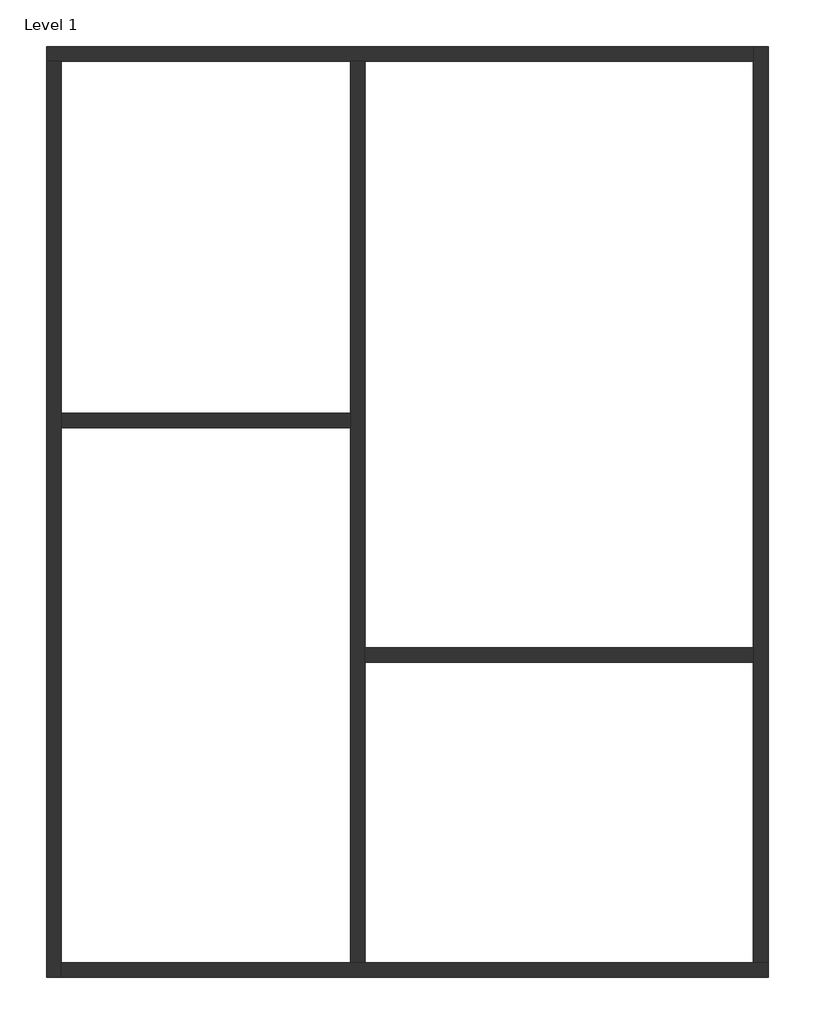
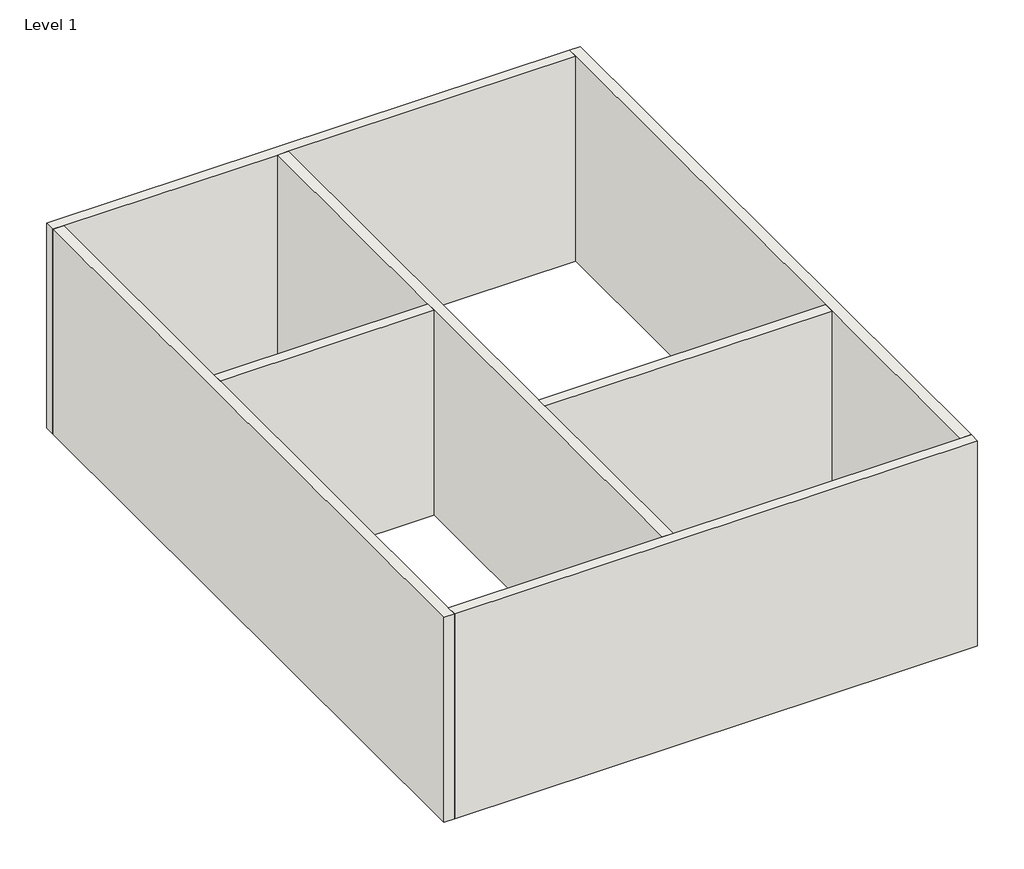
# One storey: 7 walls.
"""IFC4 building model written with IfcOpenShell, lengths in millimetres."""

from ifc_helpers import new_model, si_unit, origin, origin_with_axes, place, context, project, spatial, polyline, outline, extrude, faceted_brep, element, save

model = new_model("IFC4")

# Units and contexts
model_context = context("Model", 3, world=origin())
ifc_project = project(units=[si_unit("LENGTHUNIT", "METRE", prefix="MILLI")], contexts=[model_context])

# Site, building, storey
site = spatial("IfcSite", under=ifc_project)
building = spatial("IfcBuilding", under=site)
storey = spatial("IfcBuildingStorey", under=building, Name="Level 1", Elevation=0.0)

# Walls
placement = place(None, origin())
element("IfcWall", 1, ObjectType="Wall 1", at=placement, inside=storey, context=model_context, shape_type="Brep", body=[
    faceted_brep([(850.1639344, 6994.6311475, 0.0), (1050.1639344, 6994.6311475, 0.0), (5000.1639344, 6994.6311475, 0.0), (5200.1639344, 6994.6311475, 0.0), (10500.1639344, 6994.6311475, 0.0), (10500.1639344, 6994.6311475, 4000.0), (5200.1639344, 6994.6311475, 4000.0), (5000.1639344, 6994.6311475, 4000.0), (1050.1639344, 6994.6311475, 4000.0), (850.1639344, 6994.6311475, 4000.0), (850.1639344, 7194.6311475, 0.0), (850.1639344, 7194.6311475, 4000.0), (10500.1639344, 7194.6311475, 4000.0), (10500.1639344, 7194.6311475, 0.0)], [[[0, 1, 2, 3, 4, 5, 6, 7, 8, 9]], [[10, 11, 12, 13]], [[4, 3, 2, 1, 0, 10, 13]], [[9, 8, 7, 6, 5, 12, 11]], [[0, 9, 11, 10]], [[5, 4, 13, 12]]]),
])
element("IfcWall", 2, ObjectType="Wall 1", at=placement, inside=storey, context=model_context, shape_type="Brep", body=[
    faceted_brep([(1050.1639344, -5505.3688525, 0.0), (1050.1639344, -5305.3688525, 0.0), (1050.1639344, 1994.6311475, 0.0), (1050.1639344, 2194.6311475, 0.0), (1050.1639344, 6994.6311475, 0.0), (1050.1639344, 6994.6311475, 4000.0), (1050.1639344, 2194.6311475, 4000.0), (1050.1639344, 1994.6311475, 4000.0), (1050.1639344, -5305.3688525, 4000.0), (1050.1639344, -5505.3688525, 4000.0), (850.1639344, -5505.3688525, 0.0), (850.1639344, -5505.3688525, 4000.0), (850.1639344, 6994.6311475, 4000.0), (850.1639344, 6994.6311475, 0.0)], [[[0, 1, 2, 3, 4, 5, 6, 7, 8, 9]], [[10, 11, 12, 13]], [[4, 3, 2, 1, 0, 10, 13]], [[9, 8, 7, 6, 5, 12, 11]], [[0, 9, 11, 10]], [[5, 4, 13, 12]]]),
])
element("IfcWall", 3, ObjectType="Wall 1", at=placement, inside=storey, context=model_context, shape_type="Brep", body=[
    faceted_brep([(10700.1639344, -5305.3688525, 0.0), (10500.1639344, -5305.3688525, 0.0), (5200.1639344, -5305.3688525, 0.0), (5000.1639344, -5305.3688525, 0.0), (1050.1639344, -5305.3688525, 0.0), (1050.1639344, -5305.3688525, 4000.0), (5000.1639344, -5305.3688525, 4000.0), (5200.1639344, -5305.3688525, 4000.0), (10500.1639344, -5305.3688525, 4000.0), (10700.1639344, -5305.3688525, 4000.0), (10700.1639344, -5505.3688525, 0.0), (10700.1639344, -5505.3688525, 4000.0), (1050.1639344, -5505.3688525, 4000.0), (1050.1639344, -5505.3688525, 0.0)], [[[0, 1, 2, 3, 4, 5, 6, 7, 8, 9]], [[10, 11, 12, 13]], [[4, 3, 2, 1, 0, 10, 13]], [[9, 8, 7, 6, 5, 12, 11]], [[0, 9, 11, 10]], [[5, 4, 13, 12]]]),
])
element("IfcWall", 4, ObjectType="Wall 1", at=placement, inside=storey, context=model_context, shape_type="Brep", body=[
    faceted_brep([(10500.1639344, 7194.6311475, 0.0), (10500.1639344, 6994.6311475, 0.0), (10500.1639344, -1005.3688525, 0.0), (10500.1639344, -1205.3688525, 0.0), (10500.1639344, -5305.3688525, 0.0), (10500.1639344, -5305.3688525, 4000.0), (10500.1639344, -1205.3688525, 4000.0), (10500.1639344, -1005.3688525, 4000.0), (10500.1639344, 6994.6311475, 4000.0), (10500.1639344, 7194.6311475, 4000.0), (10700.1639344, 7194.6311475, 0.0), (10700.1639344, 7194.6311475, 4000.0), (10700.1639344, -5305.3688525, 4000.0), (10700.1639344, -5305.3688525, 0.0)], [[[0, 1, 2, 3, 4, 5, 6, 7, 8, 9]], [[10, 11, 12, 13]], [[4, 3, 2, 1, 0, 10, 13]], [[9, 8, 7, 6, 5, 12, 11]], [[0, 9, 11, 10]], [[5, 4, 13, 12]]]),
])
element("IfcWall", 5, ObjectType="Wall 1", at=placement, inside=storey, context=model_context, shape_type="Brep", body=[
    faceted_brep([(5200.1639344, -5305.3688525, 0.0), (5200.1639344, -1205.3688525, 0.0), (5200.1639344, -1005.3688525, 0.0), (5200.1639344, 6994.6311475, 0.0), (5200.1639344, 6994.6311475, 4000.0), (5200.1639344, -1005.3688525, 4000.0), (5200.1639344, -1205.3688525, 4000.0), (5200.1639344, -5305.3688525, 4000.0), (5000.1639344, -5305.3688525, 0.0), (5000.1639344, -5305.3688525, 4000.0), (5000.1639344, 1994.6311475, 4000.0), (5000.1639344, 2194.6311475, 4000.0), (5000.1639344, 6994.6311475, 4000.0), (5000.1639344, 6994.6311475, 0.0), (5000.1639344, 2194.6311475, 0.0), (5000.1639344, 1994.6311475, 0.0)], [[[0, 1, 2, 3, 4, 5, 6, 7]], [[8, 9, 10, 11, 12, 13, 14, 15]], [[3, 2, 1, 0, 8, 15, 14, 13]], [[7, 6, 5, 4, 12, 11, 10, 9]], [[4, 3, 13, 12]], [[0, 7, 9, 8]]]),
])
element("IfcWall", 6, ObjectType="Wall 1", at=placement, inside=storey, context=model_context, shape_type="SweptSolid", body=[
    extrude(outline(polyline([(1050.1639344, 2194.6311475), (5000.1639344, 2194.6311475), (5000.1639344, 1994.6311475), (1050.1639344, 1994.6311475), (1050.1639344, 2194.6311475)])), origin_with_axes(), (0.0, 0.0, 1.0), 4000.0),
])
element("IfcWall", 7, ObjectType="Wall 1", at=placement, inside=storey, context=model_context, shape_type="SweptSolid", body=[
    extrude(outline(polyline([(10500.1639344, -1205.3688525), (5200.1639344, -1205.3688525), (5200.1639344, -1005.3688525), (10500.1639344, -1005.3688525), (10500.1639344, -1205.3688525)])), origin_with_axes(), (0.0, 0.0, 1.0), 4000.0),
])

save(model, "model.ifc")
